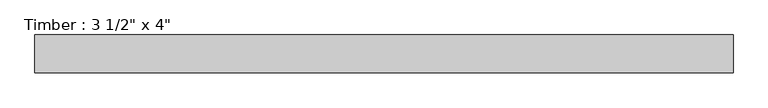
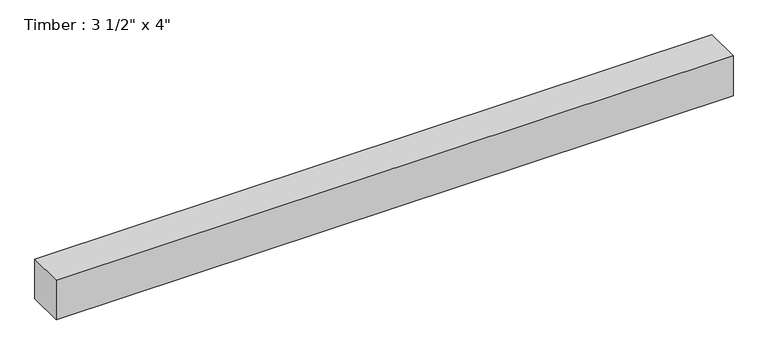
"""IFC4 building model written with IfcOpenShell, lengths in millimetres: beam geometry."""

from ifc_helpers import new_model, si_unit, frame, origin, place, context, project, spatial, polyline, outline, extrude, source, transform, mapped, element, save


def beam_165d7d84(model_context):
    return source(origin(), model_context, "Body", "SweptSolid", [
        extrude(outline(polyline([(806.808607, -44.45), (-830.4117152, -44.45), (-830.4117152, 44.45), (806.808607, 44.45), (806.808607, -44.45)])), frame((0.0, 0.0, -50.8), z_axis=(0.0, 0.0, 1.0), x_axis=(1.0, 0.0, 0.0)), (0.0, 0.0, 1.0), 101.6),
    ])


if __name__ == "__main__":
    model = new_model("IFC4")
    model_context = context("Model", 3, world=origin())
    ifc_project = project(units=[si_unit("LENGTHUNIT", "METRE", prefix="MILLI")], contexts=[model_context])
    site = spatial("IfcSite", under=ifc_project)
    building = spatial("IfcBuilding", under=site)
    placement = place(None, origin())
    beam_shape = beam_165d7d84(model_context)
    element("IfcBeam", 1, ObjectType="Timber : 3 1/2\" x 4\"", at=placement, inside=building, context=model_context, shape_type="MappedRepresentation", body=[
        mapped(beam_shape, transform((0.0, 0.0, 0.0), x_axis=(1.0, 0.0, 0.0), y_axis=(0.0, 1.0, 0.0), z_axis=(0.0, 0.0, 1.0))),
    ])
    save(model, "model.ifc")
